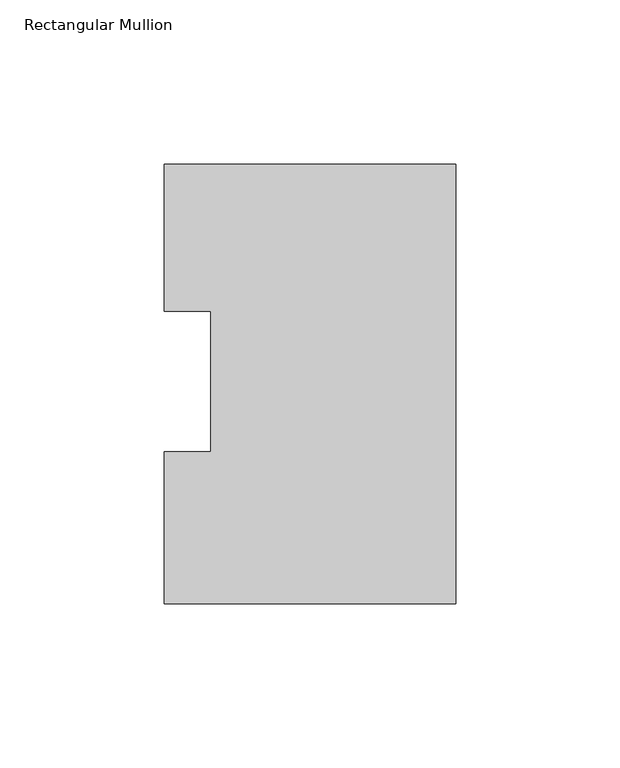
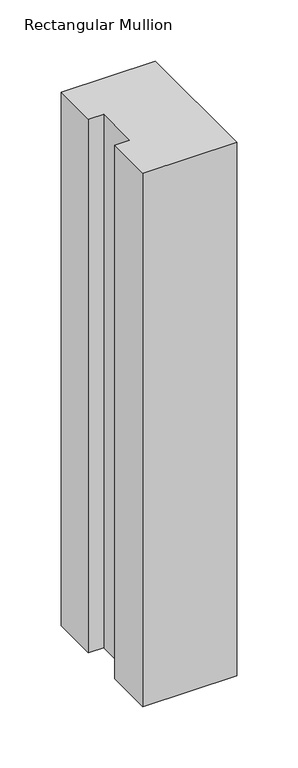
"""IFC4 building model written with IfcOpenShell, lengths in millimetres: member geometry, Rectangular Mullion."""

from ifc_helpers import new_model, si_unit, frame, origin, place, context, project, spatial, polyline, outline, extrude, source, transform, mapped, element, save


def rectangular_mullion_fec01f9f(model_context):
    return source(origin(), model_context, "Body", "SweptSolid", [
        extrude(outline(polyline([(0.0, 130.0368875), (0.0, -3.9735125), (-88.9, -3.9735125), (-88.9, 42.2798875), (-74.6252, 42.2798875), (-74.6252, 85.1296875), (-88.9, 85.1296875), (-88.9, 130.0368875), (0.0, 130.0368875)])), frame((0.0, 0.0, -533.4), z_axis=(0.0, 0.0, 1.0), x_axis=(1.0, 0.0, 0.0)), (0.0, 0.0, 1.0), 533.4),
    ])


if __name__ == "__main__":
    model = new_model("IFC4")
    model_context = context("Model", 3, world=origin())
    ifc_project = project(units=[si_unit("LENGTHUNIT", "METRE", prefix="MILLI")], contexts=[model_context])
    site = spatial("IfcSite", under=ifc_project)
    building = spatial("IfcBuilding", under=site)
    placement = place(None, origin())
    rectangular_mullion_shape = rectangular_mullion_fec01f9f(model_context)
    element("IfcMember", 1, ObjectType="Rectangular Mullion", at=placement, inside=building, context=model_context, shape_type="MappedRepresentation", body=[
        mapped(rectangular_mullion_shape, transform((0.0, 0.0, 0.0), x_axis=(1.0, 0.0, 0.0), y_axis=(0.0, 1.0, 0.0), z_axis=(0.0, 0.0, 1.0))),
    ])
    save(model, "model.ifc")
